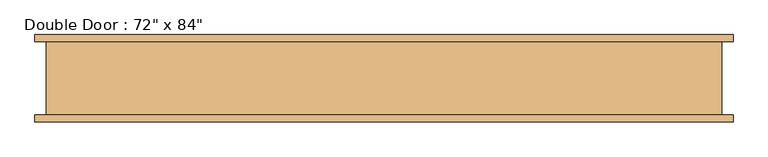
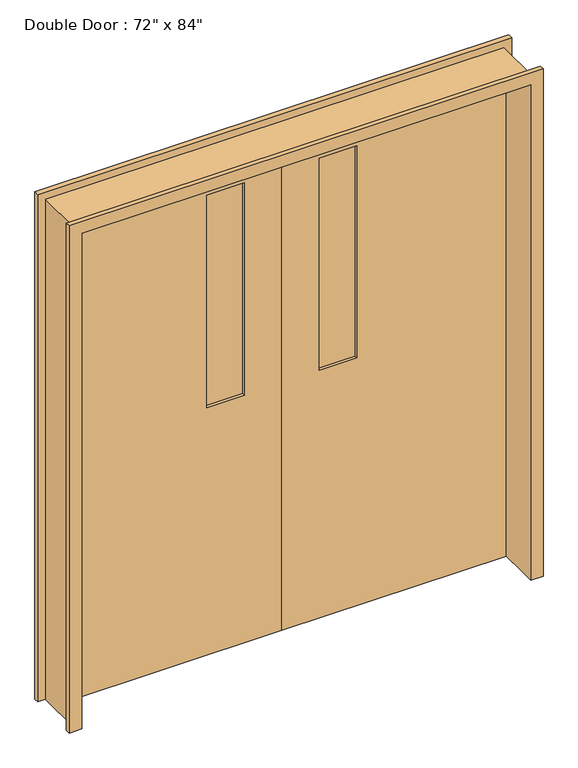
"""IFC4 building model written with IfcOpenShell, lengths in millimetres: door geometry."""

from ifc_helpers import new_model, si_unit, frame, origin, place, context, project, spatial, polyline, outline, extrude, faceted_brep, source, transform, mapped, element, save


def door_8709ac1f(model_context):
    return source(origin(), model_context, "Body", "SolidModel", [
        extrude(outline(polyline([(304.8, 63.5), (152.4, 63.5), (152.4, 76.2), (304.8, 76.2), (304.8, 63.5)])), frame((0.0, 0.0, 1066.8), z_axis=(0.0, 0.0, 1.0), x_axis=(1.0, 0.0, 0.0)), (0.0, 0.0, 1.0), 914.4),
        faceted_brep([(-965.2, -101.6, 0.0), (-933.45, -101.6, 0.0), (-933.45, 101.6, 0.0), (-965.2, 101.6, 0.0), (-965.2, 120.65, 0.0), (-914.4, 120.65, 0.0), (-914.4, -120.65, 0.0), (-965.2, -120.65, 0.0), (-965.2, -101.6, 2184.4), (965.2, -101.6, 2184.4), (965.2, -101.6, 0.0), (933.45, -101.6, 0.0), (933.45, -101.6, 2152.65), (-933.45, -101.6, 2152.65), (-933.45, 101.6, 2152.65), (933.45, 101.6, 2152.65), (933.45, 101.6, 0.0), (965.2, 101.6, 0.0), (965.2, 101.6, 2184.4), (-965.2, 101.6, 2184.4), (-965.2, 120.65, 2184.4), (965.2, 120.65, 2184.4), (965.2, 120.65, 0.0), (914.4, 120.65, 0.0), (914.4, 120.65, 2133.6), (-914.4, 120.65, 2133.6), (-914.4, -120.65, 2133.6), (914.4, -120.65, 2133.6), (914.4, -120.65, 0.0), (965.2, -120.65, 0.0), (965.2, -120.65, 2184.4), (-965.2, -120.65, 2184.4)], [[[0, 1, 2, 3, 4, 5, 6, 7]], [[1, 0, 8, 9, 10, 11, 12, 13]], [[2, 1, 13, 14]], [[3, 2, 14, 15, 16, 17, 18, 19]], [[4, 3, 19, 20]], [[5, 4, 20, 21, 22, 23, 24, 25]], [[6, 5, 25, 26]], [[7, 6, 26, 27, 28, 29, 30, 31]], [[0, 7, 31, 8]], [[13, 12, 15, 14]], [[19, 18, 21, 20]], [[25, 24, 27, 26]], [[9, 8, 31, 30]], [[11, 10, 29, 28, 23, 22, 17, 16]], [[12, 11, 16, 15]], [[18, 17, 22, 21]], [[24, 23, 28, 27]], [[10, 9, 30, 29]]]),
        extrude(outline(polyline([(-152.4, 63.5), (-304.8, 63.5), (-304.8, 76.2), (-152.4, 76.2), (-152.4, 63.5)])), frame((0.0, 0.0, 1066.8), z_axis=(0.0, 0.0, 1.0), x_axis=(1.0, 0.0, 0.0)), (0.0, 0.0, 1.0), 914.4),
        extrude(outline(polyline([(2133.6, 0.0), (0.0, 0.0), (0.0, 914.4), (2133.6, 914.4), (2133.6, 0.0)]), holes=[polyline([(1981.2, 304.8), (1066.8, 304.8), (1066.8, 152.4), (1981.2, 152.4), (1981.2, 304.8)])]), frame((0.0, 50.8, 0.0), z_axis=(0.0, 1.0, 0.0), x_axis=(0.0, 0.0, 1.0)), (0.0, 0.0, 1.0), 50.8),
        extrude(outline(polyline([(2133.6, 0.0), (2133.6, -914.4), (0.0, -914.4), (0.0, 0.0), (2133.6, 0.0)]), holes=[polyline([(1981.2, -152.4), (1066.8, -152.4), (1066.8, -304.8), (1981.2, -304.8), (1981.2, -152.4)])]), frame((0.0, 50.8, 0.0), z_axis=(0.0, 1.0, 0.0), x_axis=(0.0, 0.0, 1.0)), (0.0, 0.0, 1.0), 50.8),
    ])


if __name__ == "__main__":
    model = new_model("IFC4")
    model_context = context("Model", 3, world=origin())
    ifc_project = project(units=[si_unit("LENGTHUNIT", "METRE", prefix="MILLI")], contexts=[model_context])
    site = spatial("IfcSite", under=ifc_project)
    building = spatial("IfcBuilding", under=site)
    placement = place(None, origin())
    door_shape = door_8709ac1f(model_context)
    element("IfcDoor", 1, ObjectType="Double Door : 72\" x 84\"", at=placement, inside=building, context=model_context, shape_type="MappedRepresentation", body=[
        mapped(door_shape, transform((0.0, 0.0, 0.0), x_axis=(1.0, 0.0, 0.0), y_axis=(0.0, 1.0, 0.0), z_axis=(0.0, 0.0, 1.0))),
    ])
    save(model, "model.ifc")
